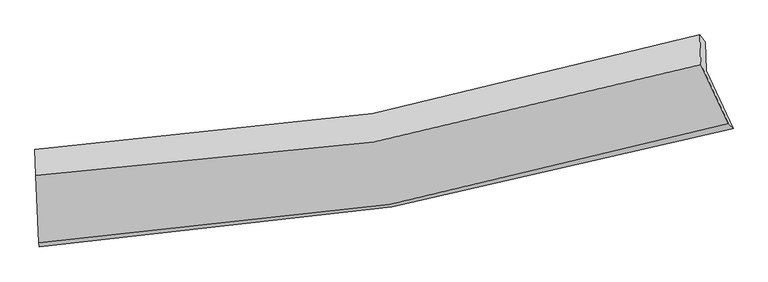
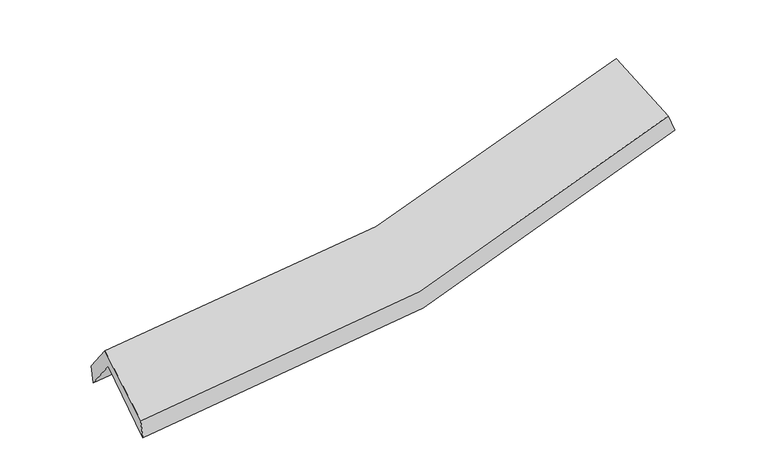
"""IFC4 building model written with IfcOpenShell, lengths in millimetres: proxy geometry."""

from ifc_helpers import new_model, si_unit, frame, origin, place, context, project, spatial, source, transform, mapped, element, save
from ifc_brep_helpers import plane_surface, spline_curve, spline_surface, advanced_brep


def generic_models_77d0abfd(model_context):
    return source(origin(), model_context, "Body", "AdvancedBrep", [
        advanced_brep(
        [(-2804.1819861, -2528.4858643, 1502.3515708), (-2828.3857136, -1984.4855169, 1917.8276409), (2728.6670896, -1065.1141433, 2437.2735449), (2951.5532719, -1544.3252729, 2065.5712473), (-2837.205117, -1747.0406821, 1606.4173229), (2719.8618266, -828.0500094, 2126.3625186), (-2838.9946476, -1717.7749396, 1766.4104224), (2675.0527809, -766.8213478, 2253.4993899), (-2830.9635709, -1933.9956551, 2049.9851812), (2684.2356639, -1014.0521464, 2577.7440577), (-2806.0981154, -2496.1555941, 1661.9323474), (2911.39185, -1502.4438961, 2198.9207702)],
        [
            (0, 1),
            (1, 2, spline_curve(3, [(-2828.3857136, -1984.4855169, 1917.8276409), (-1873.47851928, -1945.702368678, 1908.500433605), (-932.331853466, -1849.516076218, 1947.246978062), (919.945130745, -1542.750461314, 2120.653966035), (1831.149398948, -1332.479629135, 2255.056056272), (2728.6670896, -1065.1141433, 2437.2735449)], [4, 2, 4], [0.0, 9.49921722045969, 18.9728751671478])),
            (2, 3),
            (3, 0, spline_curve(3, [(2951.5532719, -1544.3252729, 2065.5712473), (2023.39499093, -1815.523369057, 1861.189906644), (1080.337496639, -2033.097652389, 1712.052968965), (-838.160420168, -2361.440919638, 1524.014583471), (-1813.681345178, -2471.920166876, 1485.41162908), (-2804.1819861, -2528.4858643, 1502.3515708)], [4, 2, 4], [0.0, 9.473657946688112, 18.9728751671478])),
            (1, 4),
            (4, 5, spline_curve(3, [(-2837.205117, -1747.0406821, 1606.4173229), (-1882.604015359, -1700.016601468, 1586.282083447), (-941.609007943, -1599.74720445, 1619.673611943), (910.673519554, -1293.130834227, 1793.276335468), (1822.034159997, -1087.070007189, 1933.199872261), (2719.8618266, -828.0500094, 2126.3625186)], [4, 2, 4], [0.0, 9.326588248332676, 18.628081710762313])),
            (5, 2),
            (4, 6),
            (6, 7, spline_curve(3, [(-2838.9946476, -1717.7749396, 1766.4104224), (-1890.227795525, -1679.209768447, 1757.846710799), (-955.74060819, -1580.493370505, 1794.270807797), (882.198460765, -1263.185580898, 1956.875566102), (1785.727083102, -1044.917448336, 2082.814458315), (2675.0527809, -766.8213478, 2253.4993899)], [4, 2, 4], [0.0, 9.293909604479474, 18.562812350554072])),
            (7, 5),
            (6, 8),
            (8, 9, spline_curve(3, [(-2830.9635709, -1933.9956551, 2049.9851812), (-1881.914629768, -1903.025169031, 2051.381944329), (-947.190345295, -1810.692138593, 2096.17786592), (891.132417377, -1503.714533721, 2272.330723083), (1794.807877928, -1289.399727919, 2403.454426684), (2684.2356639, -1014.0521464, 2577.7440577)], [4, 2, 4], [0.0, 9.261057109259076, 18.497195755388375])),
            (9, 7),
            (8, 10),
            (10, 11, spline_curve(3, [(-2806.0981154, -2496.1555941, 1661.9323474), (-1821.560993273, -2448.836136626, 1654.136413527), (-852.213511345, -2342.175709601, 1695.113381521), (1053.534846162, -2010.619572637, 1874.371633056), (1990.017352784, -1786.042766864, 2012.390806263), (2911.39185, -1502.4438961, 2198.9207702)], [4, 2, 4], [0.0, 9.434859551287985, 18.844332994155547])),
            (11, 9),
            (10, 0),
            (3, 11),
        ],
        [
            spline_surface(3, 3, [[(-2804.1819861, -2528.4858643, 1502.3515708), (-1813.68134512, -2471.920167031, 1485.411629099), (-838.16042016, -2361.440919745, 1524.014583491), (1080.337496632, -2033.097652282, 1712.052968945), (2023.394991001, -1815.523369105, 1861.189906683), (2951.5532719, -1544.3252729, 2065.5712473)], [(-2812.249895275, -2347.152415176, 1640.84359416), (-1833.613736518, -2296.514234276, 1626.441230562), (-869.550897863, -2190.799305238, 1665.092048331), (1026.873374631, -1869.648588599, 1848.253301304), (1959.313126991, -1654.508789144, 1992.478623169), (2877.257877787, -1384.588229688, 2189.472013171)], [(-2820.317804425, -2165.818966024, 1779.33561754), (-1853.546127891, -2121.108301492, 1767.470832045), (-900.941375606, -2020.157690769, 1806.169513203), (973.409252589, -1706.199524953, 1984.453633695), (1895.23126302, -1493.494209219, 2123.767339642), (2802.962483713, -1224.851186512, 2313.372779029)], [(-2828.3857136, -1984.4855169, 1917.8276409), (-1873.478519289, -1945.702368737, 1908.500433508), (-932.331853308, -1849.516076262, 1947.246978042), (919.945130587, -1542.75046127, 2120.653966054), (1831.14939901, -1332.479629258, 2255.056056128), (2728.6670896, -1065.1141433, 2437.2735449)]], [4, 4], [4, 2, 4], [0.0, 2.1771221957767484], [0.0, 9.49921722045969, 18.9728751671478]),
            spline_surface(3, 3, [[(-2828.3857136, -1984.4855169, 1917.8276409), (-1873.478519289, -1945.702368737, 1908.500433508), (-932.331853308, -1849.516076262, 1947.246978042), (919.945130587, -1542.75046127, 2120.653966054), (1831.14939901, -1332.479629258, 2255.056056128), (2728.6670896, -1065.1141433, 2437.2735449)], [(-2831.325514712, -1905.337238605, 1814.024201576), (-1876.520351267, -1863.807112987, 1801.094316859), (-935.424238147, -1766.259785617, 1838.055856005), (916.854593548, -1459.543918935, 2011.528089222), (1828.110985983, -1250.676421931, 2147.770661533), (2725.732001942, -986.09276534, 2333.636536122)], [(-2834.265315888, -1826.188960395, 1710.220762224), (-1879.56218331, -1781.911857322, 1693.688200181), (-938.516623003, -1683.003495015, 1728.864733929), (913.764056492, -1376.337376642, 1902.402212351), (1825.07257293, -1168.873214583, 2040.485266972), (2722.796914258, -907.07138736, 2229.999527378)], [(-2837.205117, -1747.0406821, 1606.4173229), (-1882.604015287, -1700.016601572, 1586.282083532), (-941.609007841, -1599.74720437, 1619.673611892), (910.673519453, -1293.130834308, 1793.27633552), (1822.034159903, -1087.070007255, 1933.199872377), (2719.8618266, -828.0500094, 2126.3625186)]], [4, 4], [4, 2, 4], [0.0, 1.3514260093362305], [0.0, 9.326588248332676, 18.628081710762313]),
            spline_surface(3, 3, [[(-2837.205117, -1747.0406821, 1606.4173229), (-1882.604015287, -1700.016601572, 1586.282083532), (-941.609007841, -1599.74720437, 1619.673611892), (910.673519453, -1293.130834308, 1793.27633552), (1822.034159903, -1087.070007255, 1933.199872377), (2719.8618266, -828.0500094, 2126.3625186)], [(-2837.801627226, -1737.285434607, 1659.74835607), (-1885.14527541, -1693.080990556, 1643.470292628), (-946.319541324, -1593.329259728, 1677.872677183), (901.181833245, -1283.149083186, 1847.809412369), (1809.931800942, -1073.019154304, 1983.071401005), (2704.925478035, -807.640455542, 2168.741475693)], [(-2838.398137374, -1727.530187093, 1713.07938923), (-1887.686535455, -1686.14537952, 1700.658501715), (-951.030074789, -1586.911315094, 1736.071742507), (891.690147054, -1273.167332072, 1902.342489251), (1797.829441975, -1058.968301326, 2032.942929654), (2689.989129465, -787.230901658, 2211.120432807)], [(-2838.9946476, -1717.7749396, 1766.4104224), (-1890.227795577, -1679.209768504, 1757.846710812), (-955.740608272, -1580.493370453, 1794.270807799), (882.198460846, -1263.18558095, 1956.875566101), (1785.727083014, -1044.917448375, 2082.814458283), (2675.0527809, -766.8213478, 2253.4993899)]], [4, 4], [4, 2, 4], [0.0, 0.5649968381994583], [0.0, 9.293909604479474, 18.562812350554072]),
            spline_surface(3, 3, [[(-2838.9946476, -1717.7749396, 1766.4104224), (-1890.227795577, -1679.209768504, 1757.846710812), (-955.740608272, -1580.493370453, 1794.270807799), (882.198460846, -1263.18558095, 1956.875566101), (1785.727083014, -1044.917448375, 2082.814458283), (2675.0527809, -766.8213478, 2253.4993899)], [(-2836.317622007, -1789.848511455, 1860.935342008), (-1887.456740298, -1753.814902005, 1855.691788626), (-952.890520608, -1657.226293184, 1894.906493888), (885.176446378, -1343.361898548, 2062.027285106), (1788.754014627, -1126.411541523, 2189.694447787), (2678.113741889, -849.231613998, 2361.580945826)], [(-2833.640596493, -1861.922083245, 1955.460261592), (-1884.685685099, -1828.420035442, 1953.536866418), (-950.040432984, -1733.959215877, 1995.542179888), (888.154431871, -1423.538216107, 2167.179004022), (1791.780946273, -1207.905634678, 2296.574437313), (2681.174702911, -931.641880202, 2469.662501774)], [(-2830.9635709, -1933.9956551, 2049.9851812), (-1881.91462982, -1903.025168943, 2051.381944232), (-947.19034532, -1810.692138609, 2096.177865976), (891.132417402, -1503.714533705, 2272.330723028), (1794.807877885, -1289.399727827, 2403.454426817), (2684.2356639, -1014.0521464, 2577.7440577)]], [4, 4], [4, 2, 4], [0.0, 1.2737890453509555], [0.0, 9.261057109259076, 18.497195755388375]),
            spline_surface(3, 3, [[(-2830.9635709, -1933.9956551, 2049.9851812), (-1881.91462982, -1903.025168943, 2051.381944232), (-947.19034532, -1810.692138609, 2096.177865976), (891.132417402, -1503.714533705, 2272.330723028), (1794.807877885, -1289.399727827, 2403.454426817), (2684.2356639, -1014.0521464, 2577.7440577)], [(-2822.675085744, -2121.382301418, 1920.634236602), (-1861.796751006, -2084.962158138, 1918.966767373), (-915.531400734, -1987.853328977, 1962.489704481), (945.26656034, -1672.682879986, 2139.677693033), (1859.877702907, -1454.947407464, 2273.09988661), (2759.954392624, -1176.849396305, 2451.469628554)], [(-2814.386600556, -2308.768947782, 1791.283291998), (-1841.678872161, -2266.899147379, 1786.551590509), (-883.872456067, -2165.014519333, 1828.801543007), (999.40070336, -1841.651226256, 2007.02466306), (1924.947527856, -1620.495087086, 2142.74534634), (2835.673121276, -1339.646646195, 2325.195199346)], [(-2806.0981154, -2496.1555941, 1661.9323474), (-1821.560993348, -2448.836136574, 1654.13641365), (-852.213511481, -2342.175709701, 1695.113381512), (1053.534846298, -2010.619572537, 1874.371633066), (1990.017352878, -1786.042766723, 2012.390806133), (2911.39185, -1502.4438961, 2198.9207702)]], [4, 4], [4, 2, 4], [0.0, 2.190431221910298], [0.0, 9.434859551287985, 18.844332994155547]),
            spline_surface(3, 3, [[(-2806.0981154, -2496.1555941, 1661.9323474), (-1821.560993348, -2448.836136574, 1654.13641365), (-852.213511481, -2342.175709701, 1695.113381512), (1053.534846298, -2010.619572537, 1874.371633066), (1990.017352878, -1786.042766723, 2012.390806133), (2911.39185, -1502.4438961, 2198.9207702)], [(-2805.459405636, -2506.932350839, 1608.738755184), (-1818.934443942, -2456.530813398, 1597.894818784), (-847.529147707, -2348.597446394, 1638.080448823), (1062.469063076, -2018.112265797, 1820.265411677), (2001.143232241, -1795.869634177, 1961.990506316), (2924.778990622, -1516.404355027, 2154.470929233)], [(-2804.820695864, -2517.709107561, 1555.545163016), (-1816.307894526, -2464.225490206, 1541.653223965), (-842.844783934, -2355.019183052, 1581.047516179), (1071.403279853, -2025.604959022, 1766.159190333), (2012.269111637, -1805.696501651, 1911.5902065), (2938.166131278, -1530.364813973, 2110.021088267)], [(-2804.1819861, -2528.4858643, 1502.3515708), (-1813.68134512, -2471.920167031, 1485.411629099), (-838.16042016, -2361.440919745, 1524.014583491), (1080.337496632, -2033.097652282, 1712.052968945), (2023.394991001, -1815.523369105, 1861.189906683), (2951.5532719, -1544.3252729, 2065.5712473)]], [4, 4], [4, 2, 4], [0.0, 0.5553035987870747], [0.0, 9.640551158030911, 19.255162759081664]),
            plane_surface(frame((2778.4604138, -1120.1344693, 2276.5619214), z_axis=(0.9383489347550512, 0.28719516525656413, 0.19240637644661257), x_axis=(0.344955558125026, -0.7416634846923326, -0.5752746634371083))),
            plane_surface(frame((-2824.3048584, -2067.9897087, 1750.8207476), z_axis=(-0.9991217923481457, -0.04175074826312824, -0.0035382304190156467), x_axis=(-0.011767371577809554, 0.19854730298876214, 0.9800206617424138))),
        ],
        [
            (0, [[1, 2, 3, 4]]),
            (1, [[5, 6, 7, -2]]),
            (2, [[8, 9, 10, -6]]),
            (3, [[11, 12, 13, -9]]),
            (4, [[14, 15, 16, -12]]),
            (5, [[17, -4, 18, -15]]),
            (6, [[-16, -18, -3, -7, -10, -13]]),
            (7, [[-17, -14, -11, -8, -5, -1]]),
        ],
    ),
    ])


if __name__ == "__main__":
    model = new_model("IFC4")
    model_context = context("Model", 3, world=origin())
    ifc_project = project(units=[si_unit("LENGTHUNIT", "METRE", prefix="MILLI")], contexts=[model_context])
    site = spatial("IfcSite", under=ifc_project)
    building = spatial("IfcBuilding", under=site)
    placement = place(None, origin())
    generic_models_shape = generic_models_77d0abfd(model_context)
    element("IfcBuildingElementProxy", 1, Name="Generic Models", at=placement, inside=building, context=model_context, shape_type="MappedRepresentation", body=[
        mapped(generic_models_shape, transform((0.0, 0.0, 0.0), x_axis=(1.0, 0.0, 0.0), y_axis=(0.0, 1.0, 0.0), z_axis=(0.0, 0.0, 1.0))),
    ])
    save(model, "model.ifc")
